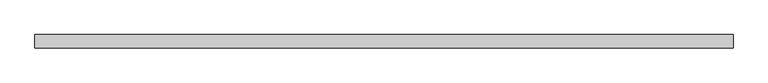
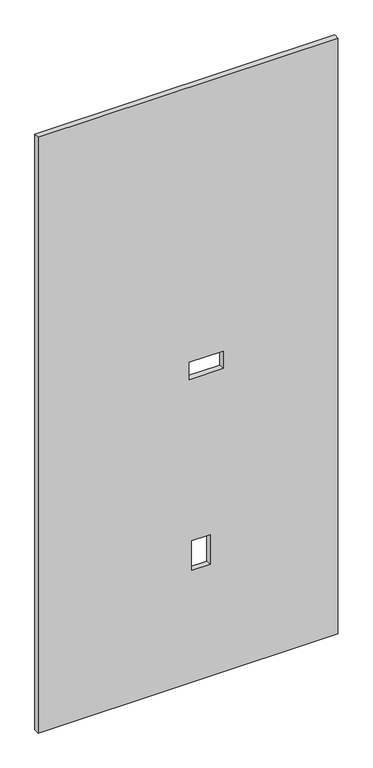
"""IFC4 building model written with IfcOpenShell, lengths in millimetres: proxy geometry."""

import ifcopenshell
import ifcopenshell.guid

model = None  # the IFC model being written
_history = None  # IfcOwnerHistory: only IFC2X3 demands one
_inside = {}  # id of a spatial element -> (the spatial element, [elements in it])
_under = {}  # id of a project, library or spatial element -> (it, [spatial elements below it])
_declared = {}  # id of a project -> (the project, [libraries it declares])
_typed = {}  # id of a type object -> (the type object, [elements of that type])
_made_of = {}  # id of a material, layer set ... -> (it, [elements and type objects made of it])


def new_model(schema):
    """Start an empty IFC model of exactly this schema.

    Asked for "IFC4X3", IfcOpenShell would pick the latest addendum, in which some entities
    have other attributes; the version numbers below select the first issue.
    IFC2X3 requires an IfcOwnerHistory on every rooted entity: one is made here for all.
    """
    global model, _history
    if schema == "IFC4X3":
        model = ifcopenshell.file(schema_version=(4, 3, 0, 0))
    else:
        model = ifcopenshell.file(schema=schema)
    _inside.clear()
    _under.clear()
    _declared.clear()
    _typed.clear()
    _made_of.clear()
    _history = None
    if model.schema == "IFC2X3":
        org = make("IfcOrganization", Name="unknown")
        user = make(
            "IfcPersonAndOrganization",
            ThePerson=make("IfcPerson", FamilyName="unknown"),
            TheOrganization=org,
        )
        app = make(
            "IfcApplication",
            ApplicationDeveloper=org,
            Version="unknown",
            ApplicationFullName="unknown",
            ApplicationIdentifier="unknown",
        )
        _history = make(
            "IfcOwnerHistory",
            OwningUser=user,
            OwningApplication=app,
            ChangeAction="ADDED",
            CreationDate=0,
        )
    return model


def make(cls, **values):
    """One entity of the class cls with the attributes given. An attribute that is None is left unset."""
    return model.create_entity(
        cls, **{name: value for name, value in values.items() if value is not None}
    )


def rooted(cls, **values):
    """An entity with a GlobalId (a new one), such as an element, a storey or a relation."""
    return make(cls, GlobalId=ifcopenshell.guid.new(), OwnerHistory=_history, **values)


def si_unit(unit_type, name, prefix=None):
    """IfcSIUnit, for example si_unit("LENGTHUNIT", "METRE", prefix="MILLI")."""
    return make("IfcSIUnit", UnitType=unit_type, Prefix=prefix, Name=name)


def assignment(units):
    """IfcUnitAssignment: the units of a project."""
    return None if units is None else make("IfcUnitAssignment", Units=units)


def point(xyz):
    """IfcCartesianPoint."""
    return None if xyz is None else make("IfcCartesianPoint", Coordinates=xyz)


def direction(xyz):
    """IfcDirection."""
    return None if xyz is None else make("IfcDirection", DirectionRatios=xyz)


def frame(location, z_axis=None, x_axis=None):
    """IfcAxis2Placement3D, a coordinate frame: its origin and axes. An axis left out is left unset."""
    return make(
        "IfcAxis2Placement3D",
        Location=point(location),
        Axis=direction(z_axis),
        RefDirection=direction(x_axis),
    )


def origin():
    """The frame at (0, 0, 0) with its axes left unset."""
    return frame((0.0, 0.0, 0.0))


def place(relative_to, where):
    """IfcLocalPlacement: puts the frame where relative to a parent placement (None: the world)."""
    return make(
        "IfcLocalPlacement", PlacementRelTo=relative_to, RelativePlacement=where
    )


def context(
    kind, dimensions, precision=None, world=None, true_north=None, identifier=None
):
    """IfcGeometricRepresentationContext, for example the 3D "Model" context."""
    return make(
        "IfcGeometricRepresentationContext",
        ContextIdentifier=identifier,
        ContextType=kind,
        CoordinateSpaceDimension=dimensions,
        Precision=precision,
        WorldCoordinateSystem=world,
        TrueNorth=true_north,
    )


def project(units=None, contexts=None):
    """IfcProject with its units and contexts."""
    return rooted(
        "IfcProject",
        Name="project",
        RepresentationContexts=contexts,
        UnitsInContext=assignment(units),
    )


def spatial(cls, under=None, at=None, **own):
    """A site, building, storey or space (cls), placed at a placement, below another one or the project."""
    s = rooted(cls, ObjectPlacement=at, **own)
    if under is not None:
        _under.setdefault(under.id(), (under, []))[1].append(s)
    return s


def polyline(points):
    """IfcPolyline through the points."""
    return make("IfcPolyline", Points=[point(p) for p in points])


def outline(outer, holes=None, kind="AREA"):
    """IfcArbitraryClosedProfileDef: a profile drawn as a closed curve; with holes, ...WithVoids."""
    if holes is None:
        return make("IfcArbitraryClosedProfileDef", ProfileType=kind, OuterCurve=outer)
    return make(
        "IfcArbitraryProfileDefWithVoids",
        ProfileType=kind,
        OuterCurve=outer,
        InnerCurves=holes,
    )


def extrude(swept, where, along, depth):
    """IfcExtrudedAreaSolid: the profile swept, set in the frame where, extruded along a direction by depth."""
    return make(
        "IfcExtrudedAreaSolid",
        SweptArea=swept,
        Position=where,
        ExtrudedDirection=direction(along),
        Depth=depth,
    )


def shape(context_of_items, identifier, shape_type, items):
    """IfcShapeRepresentation: the items that make up one representation, for example the "Body"."""
    return make(
        "IfcShapeRepresentation",
        ContextOfItems=context_of_items,
        RepresentationIdentifier=identifier,
        RepresentationType=shape_type,
        Items=items,
    )


def source(mapping_origin, context_of_items, identifier, shape_type, items):
    """IfcRepresentationMap: a shape defined once, which mapped items show again and again."""
    return make(
        "IfcRepresentationMap",
        MappingOrigin=mapping_origin,
        MappedRepresentation=shape(context_of_items, identifier, shape_type, items),
    )


def transform(
    local_origin,
    x_axis=None,
    y_axis=None,
    z_axis=None,
    scale=None,
    scale2=None,
    scale3=None,
    uniform=True,
):
    """IfcCartesianTransformationOperator3D, or its non-uniform kind. x_axis, y_axis, z_axis: its Axis1, 2, 3."""
    if uniform:
        return make(
            "IfcCartesianTransformationOperator3D",
            Axis1=direction(x_axis),
            Axis2=direction(y_axis),
            LocalOrigin=point(local_origin),
            Scale=scale,
            Axis3=direction(z_axis),
        )
    return make(
        "IfcCartesianTransformationOperator3DnonUniform",
        Axis1=direction(x_axis),
        Axis2=direction(y_axis),
        LocalOrigin=point(local_origin),
        Scale=scale,
        Axis3=direction(z_axis),
        Scale2=scale2,
        Scale3=scale3,
    )


def mapped(mapping_source, mapping_target):
    """IfcMappedItem: shows the shape of a source again, moved by a transform."""
    return make(
        "IfcMappedItem", MappingSource=mapping_source, MappingTarget=mapping_target
    )


def made_of(thing, what):
    """Note that an element or type object is made of a material, layer set ...; save() writes the relation."""
    if what is not None:
        _made_of.setdefault(what.id(), (what, []))[1].append(thing)
    return thing


def element(
    cls,
    number,
    at=None,
    inside=None,
    cuts=None,
    type_object=None,
    material=None,
    context=None,
    identifier="Body",
    shape_type=None,
    held_by="IfcProductDefinitionShape",
    body=None,
    shapes=None,
    **own,
):
    """One element of the class cls, such as IfcWall. Its Tag is "e" and its number.

    at: its placement. inside: the storey or other place that contains it. cuts: it is an
    opening in that element (IfcRelVoidsElement). A single representation is given by context,
    identifier, shape_type and body (its items); several are given by shapes. held_by: the class
    of the entity that holds the representations. save() writes the other relations.
    """
    e = rooted(cls, Tag="e%d" % number, ObjectPlacement=at, **own)
    if body is not None:
        shapes = [shape(context, identifier, shape_type, body)]
    if shapes is not None:
        e.Representation = make(held_by, Representations=shapes)
    if inside is not None:
        _inside.setdefault(inside.id(), (inside, []))[1].append(e)
    if cuts is not None:
        rooted(
            "IfcRelVoidsElement", RelatingBuildingElement=cuts, RelatedOpeningElement=e
        )
    if type_object is not None:
        _typed.setdefault(type_object.id(), (type_object, []))[1].append(e)
    return made_of(e, material)


def aggregate(whole, parts):
    """IfcRelAggregates: a whole, such as a stair, and the parts it consists of."""
    return rooted("IfcRelAggregates", RelatingObject=whole, RelatedObjects=parts)


def save(model, path):
    """Write the relations noted so far, then the file.

    IfcRelAggregates (storeys below a building ...), IfcRelContainedInSpatialStructure (elements
    in a storey), IfcRelDefinesByType, IfcRelAssociatesMaterial and IfcRelDeclares: one each for
    every whole, place, type object, material and project.
    """
    for whole, parts in _under.values():
        aggregate(whole, parts)
    for where, things in _inside.values():
        rooted(
            "IfcRelContainedInSpatialStructure",
            RelatedElements=things,
            RelatingStructure=where,
        )
    for kind, things in _typed.values():
        rooted("IfcRelDefinesByType", RelatedObjects=things, RelatingType=kind)
    for what, things in _made_of.values():
        rooted("IfcRelAssociatesMaterial", RelatedObjects=things, RelatingMaterial=what)
    for by, libraries in _declared.values():
        rooted("IfcRelDeclares", RelatingContext=by, RelatedDefinitions=libraries)
    model.write(path)


def specialty_equipment_e56a0ca0(model_context):
    return source(origin(), model_context, "Body", "SweptSolid", [
        extrude(outline(polyline([(2130.425, -506.1204), (3.175, -506.1204), (3.175, 506.1204), (2130.425, 506.1204), (2130.425, -506.1204)]), holes=[polyline([(402.3868, 74.295), (402.3868, 12.065), (509.0668, 12.065), (509.0668, 74.295), (402.3868, 74.295)]), polyline([(1086.485, 118.872), (1086.485, 4.064), (1148.715, 4.064), (1148.715, 118.872), (1086.485, 118.872)])]), frame((0.0, -9.525, 0.0), z_axis=(0.0, 1.0, 0.0), x_axis=(0.0, 0.0, 1.0)), (0.0, 0.0, 1.0), 19.05),
    ])


if __name__ == "__main__":
    model = new_model("IFC4")
    model_context = context("Model", 3, world=origin())
    ifc_project = project(units=[si_unit("LENGTHUNIT", "METRE", prefix="MILLI")], contexts=[model_context])
    site = spatial("IfcSite", under=ifc_project)
    building = spatial("IfcBuilding", under=site)
    placement = place(None, origin())
    specialty_equipment_shape = specialty_equipment_e56a0ca0(model_context)
    element("IfcBuildingElementProxy", 1, Name="Specialty Equipment", at=placement, inside=building, context=model_context, shape_type="MappedRepresentation", body=[
        mapped(specialty_equipment_shape, transform((0.0, 0.0, 0.0), x_axis=(1.0, 0.0, 0.0), y_axis=(0.0, 1.0, 0.0), z_axis=(0.0, 0.0, 1.0))),
    ])
    save(model, "model.ifc")
